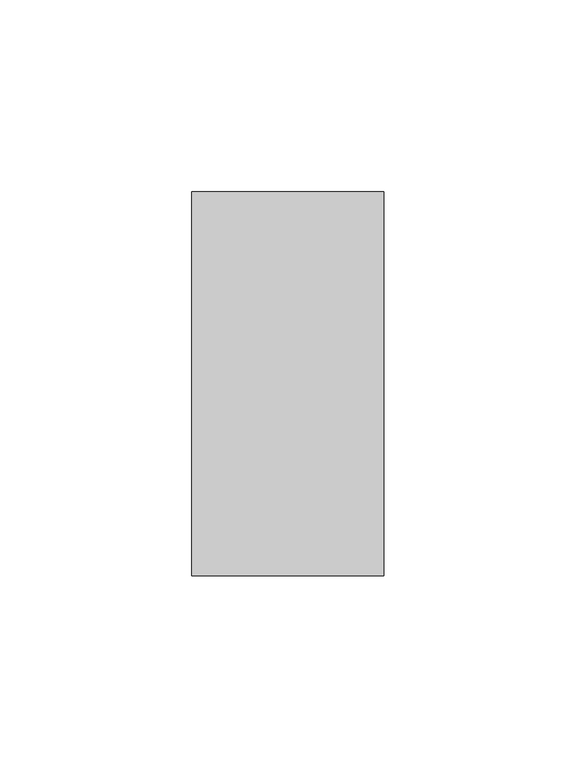
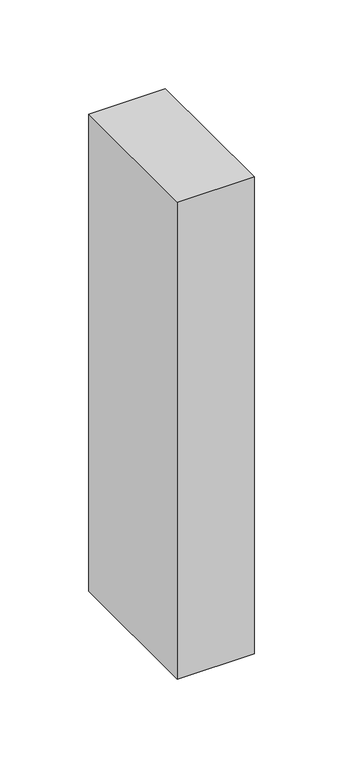
"""IFC4 building model written with IfcOpenShell, lengths in millimetres: member geometry."""

import ifcopenshell
import ifcopenshell.guid

model = None  # the IFC model being written
_history = None  # IfcOwnerHistory: only IFC2X3 demands one
_inside = {}  # id of a spatial element -> (the spatial element, [elements in it])
_under = {}  # id of a project, library or spatial element -> (it, [spatial elements below it])
_declared = {}  # id of a project -> (the project, [libraries it declares])
_typed = {}  # id of a type object -> (the type object, [elements of that type])
_made_of = {}  # id of a material, layer set ... -> (it, [elements and type objects made of it])


def new_model(schema):
    """Start an empty IFC model of exactly this schema.

    Asked for "IFC4X3", IfcOpenShell would pick the latest addendum, in which some entities
    have other attributes; the version numbers below select the first issue.
    IFC2X3 requires an IfcOwnerHistory on every rooted entity: one is made here for all.
    """
    global model, _history
    if schema == "IFC4X3":
        model = ifcopenshell.file(schema_version=(4, 3, 0, 0))
    else:
        model = ifcopenshell.file(schema=schema)
    _inside.clear()
    _under.clear()
    _declared.clear()
    _typed.clear()
    _made_of.clear()
    _history = None
    if model.schema == "IFC2X3":
        org = make("IfcOrganization", Name="unknown")
        user = make(
            "IfcPersonAndOrganization",
            ThePerson=make("IfcPerson", FamilyName="unknown"),
            TheOrganization=org,
        )
        app = make(
            "IfcApplication",
            ApplicationDeveloper=org,
            Version="unknown",
            ApplicationFullName="unknown",
            ApplicationIdentifier="unknown",
        )
        _history = make(
            "IfcOwnerHistory",
            OwningUser=user,
            OwningApplication=app,
            ChangeAction="ADDED",
            CreationDate=0,
        )
    return model


def make(cls, **values):
    """One entity of the class cls with the attributes given. An attribute that is None is left unset."""
    return model.create_entity(
        cls, **{name: value for name, value in values.items() if value is not None}
    )


def rooted(cls, **values):
    """An entity with a GlobalId (a new one), such as an element, a storey or a relation."""
    return make(cls, GlobalId=ifcopenshell.guid.new(), OwnerHistory=_history, **values)


def si_unit(unit_type, name, prefix=None):
    """IfcSIUnit, for example si_unit("LENGTHUNIT", "METRE", prefix="MILLI")."""
    return make("IfcSIUnit", UnitType=unit_type, Prefix=prefix, Name=name)


def assignment(units):
    """IfcUnitAssignment: the units of a project."""
    return None if units is None else make("IfcUnitAssignment", Units=units)


def point(xyz):
    """IfcCartesianPoint."""
    return None if xyz is None else make("IfcCartesianPoint", Coordinates=xyz)


def direction(xyz):
    """IfcDirection."""
    return None if xyz is None else make("IfcDirection", DirectionRatios=xyz)


def frame(location, z_axis=None, x_axis=None):
    """IfcAxis2Placement3D, a coordinate frame: its origin and axes. An axis left out is left unset."""
    return make(
        "IfcAxis2Placement3D",
        Location=point(location),
        Axis=direction(z_axis),
        RefDirection=direction(x_axis),
    )


def origin():
    """The frame at (0, 0, 0) with its axes left unset."""
    return frame((0.0, 0.0, 0.0))


def place(relative_to, where):
    """IfcLocalPlacement: puts the frame where relative to a parent placement (None: the world)."""
    return make(
        "IfcLocalPlacement", PlacementRelTo=relative_to, RelativePlacement=where
    )


def context(
    kind, dimensions, precision=None, world=None, true_north=None, identifier=None
):
    """IfcGeometricRepresentationContext, for example the 3D "Model" context."""
    return make(
        "IfcGeometricRepresentationContext",
        ContextIdentifier=identifier,
        ContextType=kind,
        CoordinateSpaceDimension=dimensions,
        Precision=precision,
        WorldCoordinateSystem=world,
        TrueNorth=true_north,
    )


def project(units=None, contexts=None):
    """IfcProject with its units and contexts."""
    return rooted(
        "IfcProject",
        Name="project",
        RepresentationContexts=contexts,
        UnitsInContext=assignment(units),
    )


def spatial(cls, under=None, at=None, **own):
    """A site, building, storey or space (cls), placed at a placement, below another one or the project."""
    s = rooted(cls, ObjectPlacement=at, **own)
    if under is not None:
        _under.setdefault(under.id(), (under, []))[1].append(s)
    return s


def polyline(points):
    """IfcPolyline through the points."""
    return make("IfcPolyline", Points=[point(p) for p in points])


def outline(outer, holes=None, kind="AREA"):
    """IfcArbitraryClosedProfileDef: a profile drawn as a closed curve; with holes, ...WithVoids."""
    if holes is None:
        return make("IfcArbitraryClosedProfileDef", ProfileType=kind, OuterCurve=outer)
    return make(
        "IfcArbitraryProfileDefWithVoids",
        ProfileType=kind,
        OuterCurve=outer,
        InnerCurves=holes,
    )


def extrude(swept, where, along, depth):
    """IfcExtrudedAreaSolid: the profile swept, set in the frame where, extruded along a direction by depth."""
    return make(
        "IfcExtrudedAreaSolid",
        SweptArea=swept,
        Position=where,
        ExtrudedDirection=direction(along),
        Depth=depth,
    )


def shape(context_of_items, identifier, shape_type, items):
    """IfcShapeRepresentation: the items that make up one representation, for example the "Body"."""
    return make(
        "IfcShapeRepresentation",
        ContextOfItems=context_of_items,
        RepresentationIdentifier=identifier,
        RepresentationType=shape_type,
        Items=items,
    )


def source(mapping_origin, context_of_items, identifier, shape_type, items):
    """IfcRepresentationMap: a shape defined once, which mapped items show again and again."""
    return make(
        "IfcRepresentationMap",
        MappingOrigin=mapping_origin,
        MappedRepresentation=shape(context_of_items, identifier, shape_type, items),
    )


def transform(
    local_origin,
    x_axis=None,
    y_axis=None,
    z_axis=None,
    scale=None,
    scale2=None,
    scale3=None,
    uniform=True,
):
    """IfcCartesianTransformationOperator3D, or its non-uniform kind. x_axis, y_axis, z_axis: its Axis1, 2, 3."""
    if uniform:
        return make(
            "IfcCartesianTransformationOperator3D",
            Axis1=direction(x_axis),
            Axis2=direction(y_axis),
            LocalOrigin=point(local_origin),
            Scale=scale,
            Axis3=direction(z_axis),
        )
    return make(
        "IfcCartesianTransformationOperator3DnonUniform",
        Axis1=direction(x_axis),
        Axis2=direction(y_axis),
        LocalOrigin=point(local_origin),
        Scale=scale,
        Axis3=direction(z_axis),
        Scale2=scale2,
        Scale3=scale3,
    )


def mapped(mapping_source, mapping_target):
    """IfcMappedItem: shows the shape of a source again, moved by a transform."""
    return make(
        "IfcMappedItem", MappingSource=mapping_source, MappingTarget=mapping_target
    )


def made_of(thing, what):
    """Note that an element or type object is made of a material, layer set ...; save() writes the relation."""
    if what is not None:
        _made_of.setdefault(what.id(), (what, []))[1].append(thing)
    return thing


def element(
    cls,
    number,
    at=None,
    inside=None,
    cuts=None,
    type_object=None,
    material=None,
    context=None,
    identifier="Body",
    shape_type=None,
    held_by="IfcProductDefinitionShape",
    body=None,
    shapes=None,
    **own,
):
    """One element of the class cls, such as IfcWall. Its Tag is "e" and its number.

    at: its placement. inside: the storey or other place that contains it. cuts: it is an
    opening in that element (IfcRelVoidsElement). A single representation is given by context,
    identifier, shape_type and body (its items); several are given by shapes. held_by: the class
    of the entity that holds the representations. save() writes the other relations.
    """
    e = rooted(cls, Tag="e%d" % number, ObjectPlacement=at, **own)
    if body is not None:
        shapes = [shape(context, identifier, shape_type, body)]
    if shapes is not None:
        e.Representation = make(held_by, Representations=shapes)
    if inside is not None:
        _inside.setdefault(inside.id(), (inside, []))[1].append(e)
    if cuts is not None:
        rooted(
            "IfcRelVoidsElement", RelatingBuildingElement=cuts, RelatedOpeningElement=e
        )
    if type_object is not None:
        _typed.setdefault(type_object.id(), (type_object, []))[1].append(e)
    return made_of(e, material)


def aggregate(whole, parts):
    """IfcRelAggregates: a whole, such as a stair, and the parts it consists of."""
    return rooted("IfcRelAggregates", RelatingObject=whole, RelatedObjects=parts)


def save(model, path):
    """Write the relations noted so far, then the file.

    IfcRelAggregates (storeys below a building ...), IfcRelContainedInSpatialStructure (elements
    in a storey), IfcRelDefinesByType, IfcRelAssociatesMaterial and IfcRelDeclares: one each for
    every whole, place, type object, material and project.
    """
    for whole, parts in _under.values():
        aggregate(whole, parts)
    for where, things in _inside.values():
        rooted(
            "IfcRelContainedInSpatialStructure",
            RelatedElements=things,
            RelatingStructure=where,
        )
    for kind, things in _typed.values():
        rooted("IfcRelDefinesByType", RelatedObjects=things, RelatingType=kind)
    for what, things in _made_of.values():
        rooted("IfcRelAssociatesMaterial", RelatedObjects=things, RelatingMaterial=what)
    for by, libraries in _declared.values():
        rooted("IfcRelDeclares", RelatingContext=by, RelatedDefinitions=libraries)
    model.write(path)


def member_9831f01f(model_context):
    return source(origin(), model_context, "Body", "SweptSolid", [
        extrude(outline(polyline([(0.0, 50.0), (0.0, -50.0), (-50.0, -50.0), (-50.0, 50.0), (0.0, 50.0)])), frame((0.0, 0.0, -328.6842105), z_axis=(0.0, 0.0, 1.0), x_axis=(1.0, 0.0, 0.0)), (0.0, 0.0, 1.0), 328.6842105),
    ])


if __name__ == "__main__":
    model = new_model("IFC4")
    model_context = context("Model", 3, world=origin())
    ifc_project = project(units=[si_unit("LENGTHUNIT", "METRE", prefix="MILLI")], contexts=[model_context])
    site = spatial("IfcSite", under=ifc_project)
    building = spatial("IfcBuilding", under=site)
    placement = place(None, origin())
    member_shape = member_9831f01f(model_context)
    element("IfcMember", 1, at=placement, inside=building, context=model_context, shape_type="MappedRepresentation", body=[
        mapped(member_shape, transform((0.0, 0.0, 0.0), x_axis=(1.0, 0.0, 0.0), y_axis=(0.0, 1.0, 0.0), z_axis=(0.0, 0.0, 1.0))),
    ])
    save(model, "model.ifc")
